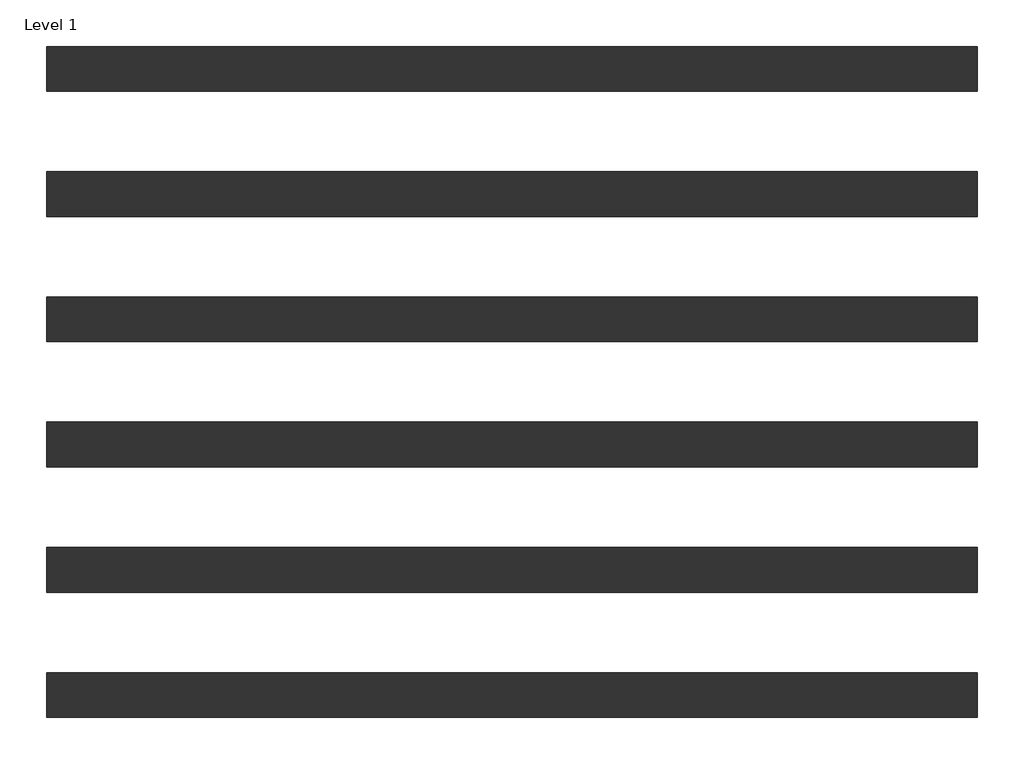
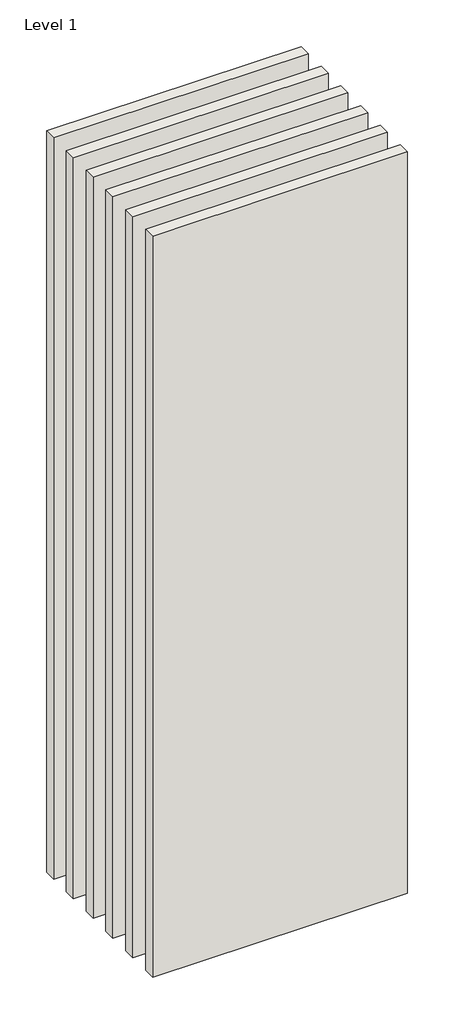
# One storey: 6 walls.
"""IFC4 building model written with IfcOpenShell, lengths in millimetres."""

from ifc_helpers import new_model, si_unit, origin, origin_with_axes, place, context, project, spatial, polyline, outline, extrude, element, save

model = new_model("IFC4")

# Units and contexts
model_context = context("Model", 3, world=origin())
ifc_project = project(units=[si_unit("LENGTHUNIT", "METRE", prefix="MILLI")], contexts=[model_context])

# Site, building, storey
site = spatial("IfcSite", under=ifc_project)
building = spatial("IfcBuilding", under=site)
storey = spatial("IfcBuildingStorey", under=building, Name="Level 1", Elevation=0.0)

# Walls
placement = place(None, origin())
element("IfcWall", 1, at=placement, inside=storey, context=model_context, shape_type="SweptSolid", body=[
    extrude(outline(polyline([(-16904.1464237, 2623.9042935), (-19504.1464237, 2623.9042935), (-19504.1464237, 2748.9042935), (-16904.1464237, 2748.9042935), (-16904.1464237, 2623.9042935)])), origin_with_axes(), (0.0, 0.0, 1.0), 8000.0),
])
element("IfcWall", 2, at=placement, inside=storey, context=model_context, shape_type="SweptSolid", body=[
    extrude(outline(polyline([(-16904.1464237, 2273.9042935), (-19504.1464237, 2273.9042935), (-19504.1464237, 2398.9042935), (-16904.1464237, 2398.9042935), (-16904.1464237, 2273.9042935)])), origin_with_axes(), (0.0, 0.0, 1.0), 8000.0),
])
element("IfcWall", 3, at=placement, inside=storey, context=model_context, shape_type="SweptSolid", body=[
    extrude(outline(polyline([(-16904.1464237, 1923.9042935), (-19504.1464237, 1923.9042935), (-19504.1464237, 2048.9042935), (-16904.1464237, 2048.9042935), (-16904.1464237, 1923.9042935)])), origin_with_axes(), (0.0, 0.0, 1.0), 8000.0),
])
element("IfcWall", 4, at=placement, inside=storey, context=model_context, shape_type="SweptSolid", body=[
    extrude(outline(polyline([(-16904.1464237, 3673.9042935), (-19504.1464237, 3673.9042935), (-19504.1464237, 3798.9042935), (-16904.1464237, 3798.9042935), (-16904.1464237, 3673.9042935)])), origin_with_axes(), (0.0, 0.0, 1.0), 8000.0),
])
element("IfcWall", 5, at=placement, inside=storey, context=model_context, shape_type="SweptSolid", body=[
    extrude(outline(polyline([(-16904.1464237, 3323.9042935), (-19504.1464237, 3323.9042935), (-19504.1464237, 3448.9042935), (-16904.1464237, 3448.9042935), (-16904.1464237, 3323.9042935)])), origin_with_axes(), (0.0, 0.0, 1.0), 8000.0),
])
element("IfcWall", 6, at=placement, inside=storey, context=model_context, shape_type="SweptSolid", body=[
    extrude(outline(polyline([(-16904.1464237, 2973.9042935), (-19504.1464237, 2973.9042935), (-19504.1464237, 3098.9042935), (-16904.1464237, 3098.9042935), (-16904.1464237, 2973.9042935)])), origin_with_axes(), (0.0, 0.0, 1.0), 8000.0),
])

save(model, "model.ifc")
